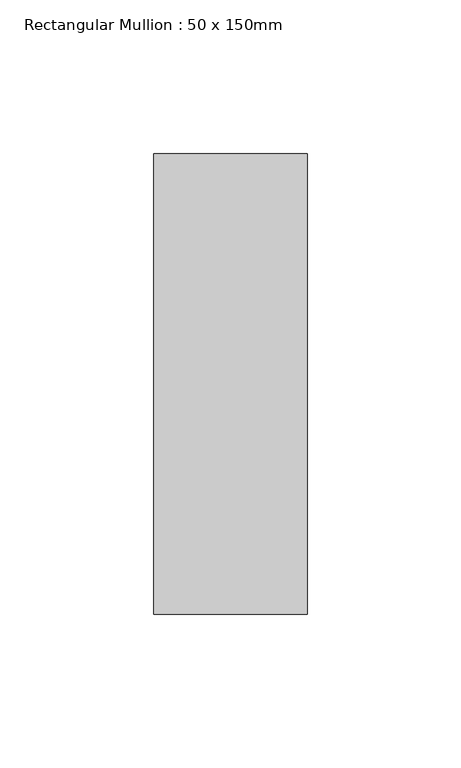
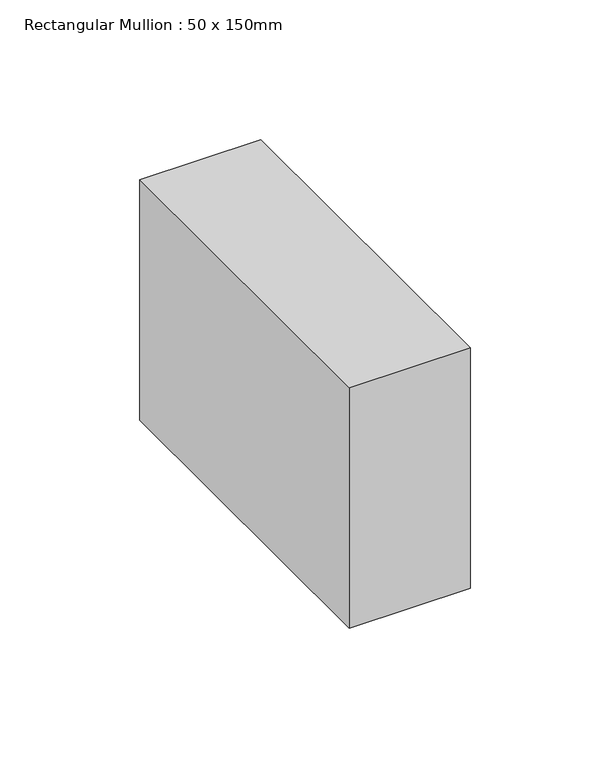
"""IFC4 building model written with IfcOpenShell, lengths in millimetres: member geometry, Rectangular Mullion : 50 x 150mm."""

from ifc_helpers import new_model, si_unit, frame, origin, place, context, project, spatial, polyline, outline, extrude, source, transform, mapped, element, save


def rectangular_mullion_50_x_150mm_6bd9eeff(model_context):
    return source(origin(), model_context, "Body", "SweptSolid", [
        extrude(outline(polyline([(0.0, 75.0), (0.0, -75.0), (-50.0, -75.0), (-50.0, 75.0), (0.0, 75.0)])), frame((0.0, 0.0, -105.0), z_axis=(0.0, 0.0, 1.0), x_axis=(1.0, 0.0, 0.0)), (0.0, 0.0, 1.0), 105.0),
    ])


if __name__ == "__main__":
    model = new_model("IFC4")
    model_context = context("Model", 3, world=origin())
    ifc_project = project(units=[si_unit("LENGTHUNIT", "METRE", prefix="MILLI")], contexts=[model_context])
    site = spatial("IfcSite", under=ifc_project)
    building = spatial("IfcBuilding", under=site)
    placement = place(None, origin())
    rectangular_mullion_50_x_150mm_shape = rectangular_mullion_50_x_150mm_6bd9eeff(model_context)
    element("IfcMember", 1, ObjectType="Rectangular Mullion : 50 x 150mm", at=placement, inside=building, context=model_context, shape_type="MappedRepresentation", body=[
        mapped(rectangular_mullion_50_x_150mm_shape, transform((0.0, 0.0, 0.0), x_axis=(1.0, 0.0, 0.0), y_axis=(0.0, 1.0, 0.0), z_axis=(0.0, 0.0, 1.0))),
    ])
    save(model, "model.ifc")
